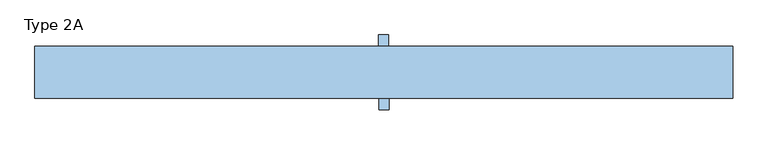
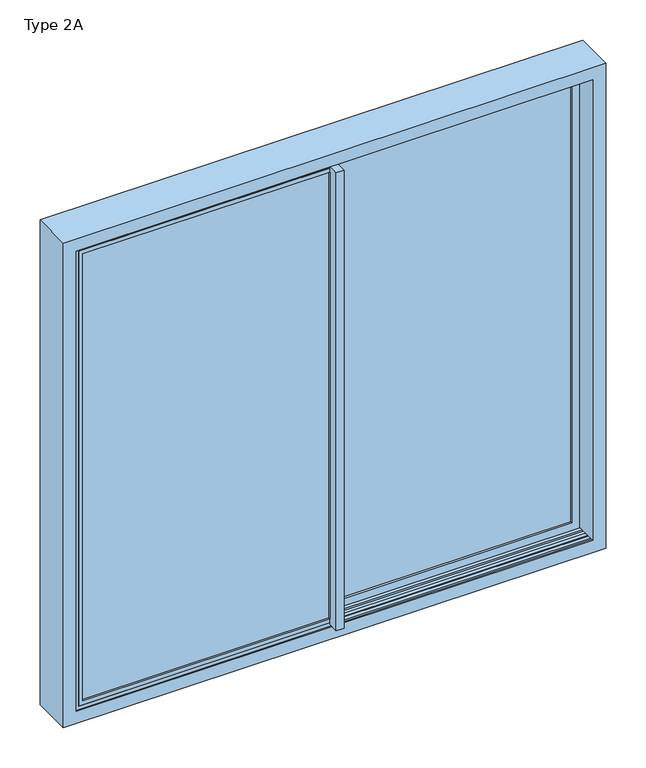
"""IFC4 building model written with IfcOpenShell, lengths in millimetres: window geometry, Type 2A."""

from ifc_helpers import new_model, si_unit, frame, origin, origin_with_axes, place, context, project, spatial, polyline, outline, extrude, faceted_brep, source, transform, mapped, element, save


def type_2a_8662bdf2(model_context):
    return source(origin(), model_context, "Body", "SolidModel", [
        extrude(outline(polyline([(2120.2000011, -3.279797), (12.7999989, -3.279797), (12.7999989, 1117.5000011), (2120.2000011, 1117.5000011), (2120.2000011, -3.279797)]), holes=[polyline([(2101.4202041, 1098.7202041), (31.5797959, 1098.7202041), (31.5797959, 15.5), (2101.4202041, 15.5), (2101.4202041, 1098.7202041)])]), frame((0.0, 132.2799866, 0.0), z_axis=(0.0, 1.0, 0.0), x_axis=(0.0, 0.0, 1.0)), (0.0, 0.0, 1.0), 7.7200134),
        faceted_brep([(1098.7202041, 73.0, 31.5797959), (1098.7202041, 83.0, 31.5797959), (17.8, 83.0, 31.5797959), (17.8, 73.0, 31.5797959), (-3.279797, 83.0, 12.7999989), (1117.5000011, 83.0, 12.7999989), (1117.5000011, 140.0, 12.7999989), (-3.279797, 140.0, 12.7999989), (-15.5, 137.5, -15.1996996), (-15.5, 140.0, -15.1996996), (1151.599999, 140.0, -15.1996996), (1151.599999, 73.0, -15.1996996), (-15.5, 73.0, -15.1996996), (-15.5, 75.4999999, -15.1996996), (1145.4996996, 75.4999999, -15.1996996), (1145.4996996, 137.5, -15.1996996), (-15.5, 137.5, 2.7998487), (-15.5, 75.4999999, 2.7998487), (-15.5, 73.0, 5.8356019), (-15.5, 53.5000069, 5.8356019), (-15.5, 53.5000069, 2127.2000011), (-15.5, 73.0, 2127.2000011), (-15.5, 73.0, 2148.1996996), (-15.5, 75.4999999, 2148.1996996), (-15.5, 75.4999999, 2130.2001513), (-15.5, 137.5, 2130.2001513), (-15.5, 137.5, 2148.1996996), (-15.5, 140.0, 2148.1996996), (1151.599999, 140.0, 2148.1996996), (1117.5000011, 140.0, 2120.2000011), (-3.279797, 140.0, 2120.2000011), (0.0, 73.0, 5.8356019), (1151.599999, 73.0, 2148.1996996), (0.0, 73.0, 2127.2000011), (1098.7202041, 73.0, 2101.4202041), (17.8, 73.0, 2101.4202041), (1117.5000011, 83.0, 2120.2000011), (-3.279797, 83.0, 2120.2000011), (1098.7202041, 83.0, 2101.4202041), (17.8, 83.0, 2101.4202041), (1145.4996996, 137.5, 2148.1996996), (1127.5001513, 137.5, 2130.2001513), (1127.5001513, 137.5, 2.7998487), (1127.5001513, 75.4999999, 2.7998487), (1127.5001513, 75.4999999, 2130.2001513), (1145.4996996, 75.4999999, 2148.1996996), (0.0, 53.5000069, 5.8356019), (0.0, 53.5000069, 2127.2000011)], [[[0, 1, 2, 3]], [[4, 5, 6, 7]], [[8, 9, 10, 11, 12, 13, 14, 15]], [[9, 8, 16, 17, 13, 12, 18, 19, 20, 21, 22, 23, 24, 25, 26, 27]], [[9, 27, 28, 10], [6, 29, 30, 7]], [[31, 18, 12, 11, 32, 22, 21, 33], [34, 0, 3, 35]], [[36, 5, 4, 37], [1, 38, 39, 2]], [[16, 8, 15, 40, 26, 25, 41, 42]], [[17, 16, 42, 43]], [[13, 17, 43, 44, 24, 23, 45, 14]], [[31, 46, 19, 18]], [[47, 20, 19, 46]], [[0, 34, 38, 1]], [[2, 39, 35, 3]], [[11, 10, 28, 32]], [[31, 33, 47, 46]], [[5, 36, 29, 6]], [[37, 4, 7, 30]], [[15, 14, 45, 40]], [[42, 41, 44, 43]], [[20, 47, 33, 21]], [[23, 22, 32, 28, 27, 26, 40, 45]], [[25, 24, 44, 41]], [[38, 34, 35, 39]], [[29, 36, 37, 30]]]),
        extrude(outline(polyline([(1117.5000011, 83.0), (-3.279797, 83.0), (-3.279797, 132.2799866), (1117.5000011, 132.2799866), (1117.5000011, 83.0)])), frame((0.0, 0.0, 12.7999989), z_axis=(0.0, 0.0, 1.0), x_axis=(1.0, 0.0, 0.0)), (0.0, 0.0, 1.0), 2107.4000022),
        extrude(outline(polyline([(15.5, 140.0), (-15.5, 140.0), (-15.5, 53.5000069), (-18.5, 53.5000069), (-18.5, 189.0000069), (15.5, 189.0000069), (15.5, 140.0)])), frame((0.0, 0.0, 5.8356019), z_axis=(0.0, 0.0, 1.0), x_axis=(1.0, 0.0, 0.0)), (0.0, 0.0, 1.0), 2121.3643992),
        extrude(outline(polyline([(2120.2000011, -1117.5000011), (12.7999989, -1117.5000011), (12.7999989, 3.279797), (2120.2000011, 3.279797), (2120.2000011, -1117.5000011)]), holes=[polyline([(2101.4202041, -15.5), (31.5797959, -15.5), (31.5797959, -1098.7202041), (2101.4202041, -1098.7202041), (2101.4202041, -15.5)])]), frame((0.0, -17.0, 0.0), z_axis=(0.0, 1.0, 0.0), x_axis=(0.0, 0.0, 1.0)), (0.0, 0.0, 1.0), 7.7200134),
        faceted_brep([(-1098.7202041, 50.0, 31.5797959), (-1098.7202041, 40.0, 31.5797959), (-17.8, 40.0, 31.5797959), (-17.8, 50.0, 31.5797959), (3.279797, 40.0, 12.7999989), (-1117.5000011, 40.0, 12.7999989), (-1117.5000011, -17.0, 12.7999989), (3.279797, -17.0, 12.7999989), (15.5, -14.5, -15.1996996), (15.5, -17.0, -15.1996996), (-1151.599999, -17.0, -15.1996996), (-1151.599999, 50.0, -15.1996996), (15.5, 50.0, -15.1996996), (15.5, 47.5000001, -15.1996996), (-1145.4996996, 47.5000001, -15.1996996), (-1145.4996996, -14.5, -15.1996996), (15.5, -14.5, 2.7998487), (15.5, 47.5000001, 2.7998487), (15.5, 50.0, 5.8356019), (15.5, 69.4999931, 5.8356019), (15.5, 69.4999931, 2127.2000011), (15.5, 50.0, 2127.2000011), (15.5, 50.0, 2148.1996996), (15.5, 47.5000001, 2148.1996996), (15.5, 47.5000001, 2130.2001513), (15.5, -14.5, 2130.2001513), (15.5, -14.5, 2148.1996996), (15.5, -17.0, 2148.1996996), (-1151.599999, -17.0, 2148.1996996), (-1117.5000011, -17.0, 2120.2000011), (3.279797, -17.0, 2120.2000011), (0.0, 50.0, 5.8356019), (-1151.599999, 50.0, 2148.1996996), (0.0, 50.0, 2127.2000011), (-1098.7202041, 50.0, 2101.4202041), (-17.8, 50.0, 2101.4202041), (-1117.5000011, 40.0, 2120.2000011), (3.279797, 40.0, 2120.2000011), (-1098.7202041, 40.0, 2101.4202041), (-17.8, 40.0, 2101.4202041), (-1145.4996996, -14.5, 2148.1996996), (-1127.5001513, -14.5, 2130.2001513), (-1127.5001513, -14.5, 2.7998487), (-1127.5001513, 47.5000001, 2.7998487), (-1127.5001513, 47.5000001, 2130.2001513), (-1145.4996996, 47.5000001, 2148.1996996), (0.0, 69.4999931, 5.8356019), (0.0, 69.4999931, 2127.2000011)], [[[0, 1, 2, 3]], [[4, 5, 6, 7]], [[8, 9, 10, 11, 12, 13, 14, 15]], [[9, 8, 16, 17, 13, 12, 18, 19, 20, 21, 22, 23, 24, 25, 26, 27]], [[9, 27, 28, 10], [6, 29, 30, 7]], [[31, 18, 12, 11, 32, 22, 21, 33], [34, 0, 3, 35]], [[36, 5, 4, 37], [1, 38, 39, 2]], [[16, 8, 15, 40, 26, 25, 41, 42]], [[17, 16, 42, 43]], [[13, 17, 43, 44, 24, 23, 45, 14]], [[31, 46, 19, 18]], [[47, 20, 19, 46]], [[0, 34, 38, 1]], [[2, 39, 35, 3]], [[11, 10, 28, 32]], [[31, 33, 47, 46]], [[5, 36, 29, 6]], [[37, 4, 7, 30]], [[15, 14, 45, 40]], [[42, 41, 44, 43]], [[20, 47, 33, 21]], [[23, 22, 32, 28, 27, 26, 40, 45]], [[25, 24, 44, 41]], [[38, 34, 35, 39]], [[29, 36, 37, 30]]]),
        extrude(outline(polyline([(-1117.5000011, 40.0), (3.279797, 40.0), (3.279797, -9.2799866), (-1117.5000011, -9.2799866), (-1117.5000011, 40.0)])), frame((0.0, 0.0, 12.7999989), z_axis=(0.0, 0.0, 1.0), x_axis=(1.0, 0.0, 0.0)), (0.0, 0.0, 1.0), 2107.4000022),
        extrude(outline(polyline([(-15.5, -17.0), (15.5, -17.0), (15.5, 69.4999931), (18.5, 69.4999931), (18.5, -66.0000069), (-15.5, -66.0000069), (-15.5, -17.0)])), frame((0.0, 0.0, 5.8356019), z_axis=(0.0, 0.0, 1.0), x_axis=(1.0, 0.0, 0.0)), (0.0, 0.0, 1.0), 2121.3643992),
        extrude(outline(polyline([(1133.0, 69.5), (1133.0, 53.5), (1163.5, 53.5), (1163.5, 44.65), (1133.0, 44.65), (1133.0, -11.65), (1163.5, -11.65), (1163.5, -20.5), (1133.0, -20.5), (1133.0, -27.0), (1131.3, -27.0), (1131.3, 69.5), (1133.0, 69.5)])), origin_with_axes(), (0.0, 0.0, 1.0), 2133.2),
        extrude(outline(polyline([(-1133.0, 53.5), (-1133.0, 69.5), (-1163.5, 69.5), (-1163.5, 78.35), (-1133.0, 78.35), (-1133.0, 134.65), (-1163.5, 134.65), (-1163.5, 143.5), (-1133.0, 143.5), (-1133.0, 150.0), (-1131.3, 150.0), (-1131.3, 53.5), (-1133.0, 53.5)])), origin_with_axes(), (0.0, 0.0, 1.0), 2133.2),
        faceted_brep([(-1190.0, -27.0, 2190.0), (-1190.0, 150.0, 2190.0), (-1190.0, 150.0, -57.0), (-1190.0, -27.0, -57.0), (1190.0, 150.0, -57.0), (1190.0, -27.0, -57.0), (1190.0, 150.0, 2190.0), (1133.0, 150.0, 0.0), (1133.0, 150.0, 2133.0), (-1133.0, 150.0, 2133.0), (-1133.0, 150.0, 0.0), (1190.0, -27.0, 2190.0), (-1133.0, -27.0, 0.0), (-1133.0, -27.0, 2133.0), (1133.0, -27.0, 2133.0), (1133.0, -27.0, 0.0), (-1133.0, -20.5, 2133.0), (-1133.0, -20.5, 0.0), (1133.0, -20.5, 0.0), (1133.0, -20.5, 2133.0), (-1163.5, -20.5, -30.5), (-1163.5, -20.5, 2163.5), (1163.5, -20.5, 2163.5), (1163.5, -20.5, -30.5), (-1163.5, 53.5, 2163.5), (-1163.5, 53.5, -30.5), (1163.5, 53.5, -30.5), (1163.5, 53.5, 2163.5), (-1133.0, 53.5, 0.0), (-1133.0, 53.5, 2133.0), (1133.0, 53.5, 2133.0), (1133.0, 53.5, 0.0), (-1133.0, 69.5, 2133.0), (-1133.0, 69.5, 0.0), (1133.0, 69.5, 0.0), (1133.0, 69.5, 2133.0), (-1163.5, 69.5, -30.5), (-1163.5, 69.5, 2163.5), (1163.5, 69.5, 2163.5), (1163.5, 69.5, -30.5), (-1163.5, 143.5, 2163.5), (-1163.5, 143.5, -30.5), (1163.5, 143.5, -30.5), (1163.5, 143.5, 2163.5), (-1133.0, 143.5, 0.0), (-1133.0, 143.5, 2133.0), (1133.0, 143.5, 2133.0), (1133.0, 143.5, 0.0)], [[[0, 1, 2, 3]], [[3, 2, 4, 5]], [[2, 1, 6, 4], [7, 8, 9, 10]], [[5, 4, 6, 11]], [[5, 11, 0, 3], [12, 13, 14, 15]], [[16, 13, 12, 17]], [[17, 12, 15, 18]], [[18, 15, 14, 19]], [[20, 21, 22, 23], [18, 19, 16, 17]], [[24, 21, 20, 25]], [[25, 20, 23, 26]], [[26, 23, 22, 27]], [[26, 27, 24, 25], [28, 29, 30, 31]], [[32, 29, 28, 33]], [[33, 28, 31, 34]], [[34, 31, 30, 35]], [[36, 37, 38, 39], [34, 35, 32, 33]], [[40, 37, 36, 41]], [[41, 36, 39, 42]], [[42, 39, 38, 43]], [[42, 43, 40, 41], [44, 45, 46, 47]], [[9, 45, 44, 10]], [[10, 44, 47, 7]], [[7, 47, 46, 8]], [[11, 6, 1, 0]], [[19, 14, 13, 16]], [[27, 22, 21, 24]], [[35, 30, 29, 32]], [[43, 38, 37, 40]], [[8, 46, 45, 9]]]),
        extrude(outline(polyline([(80.0, -30.5), (80.0, -0.2), (96.2954822, -0.2), (106.5, -4.9584448), (116.7045178, -0.2), (133.0, -0.2), (133.0, -30.5), (80.0, -30.5)])), frame((-1163.5, 0.0, 0.0), z_axis=(1.0, 0.0, 0.0), x_axis=(0.0, 1.0, 0.0)), (0.0, 0.0, 1.0), 2327.0),
        extrude(outline(polyline([(43.0, -30.5), (-10.0, -30.5), (-10.0, -0.2), (6.2954822, -0.2), (16.5, -4.9584448), (26.7045178, -0.2), (43.0, -0.2), (43.0, -30.5)])), frame((-1163.5, 0.0, 0.0), z_axis=(1.0, 0.0, 0.0), x_axis=(0.0, 1.0, 0.0)), (0.0, 0.0, 1.0), 2327.0),
    ])


if __name__ == "__main__":
    model = new_model("IFC4")
    model_context = context("Model", 3, world=origin())
    ifc_project = project(units=[si_unit("LENGTHUNIT", "METRE", prefix="MILLI")], contexts=[model_context])
    site = spatial("IfcSite", under=ifc_project)
    building = spatial("IfcBuilding", under=site)
    placement = place(None, origin())
    type_2a_shape = type_2a_8662bdf2(model_context)
    element("IfcWindow", 1, ObjectType="Type 2A", at=placement, inside=building, context=model_context, shape_type="MappedRepresentation", body=[
        mapped(type_2a_shape, transform((0.0, 0.0, 0.0), x_axis=(1.0, 0.0, 0.0), y_axis=(0.0, 1.0, 0.0), z_axis=(0.0, 0.0, 1.0))),
    ])
    save(model, "model.ifc")
